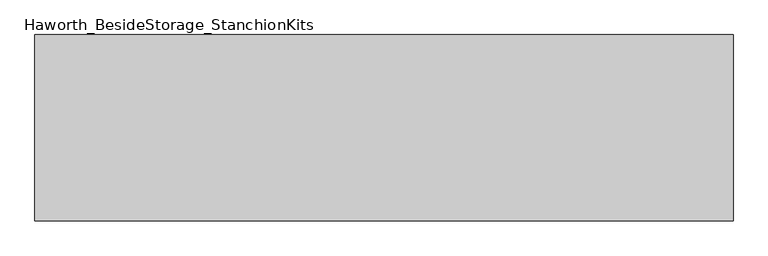
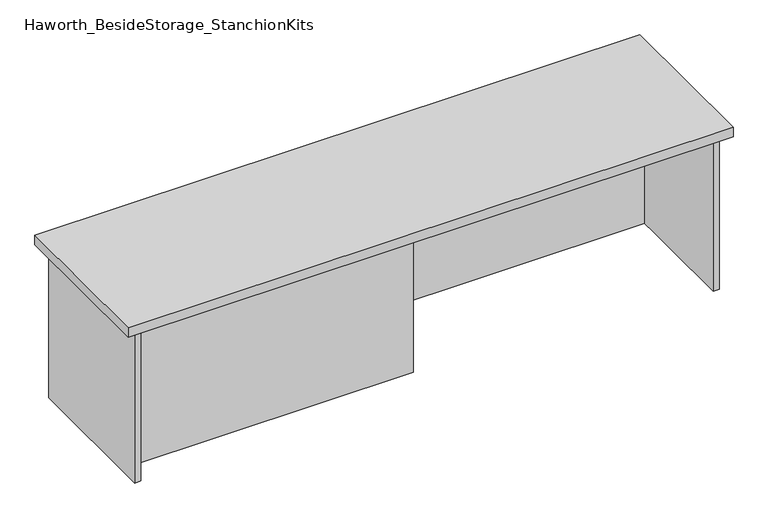
"""IFC4 building model written with IfcOpenShell, lengths in millimetres: furniture geometry, Haworth_BesideStorage_StanchionKits."""

from ifc_helpers import new_model, si_unit, frame, origin, place, context, project, spatial, polyline, outline, extrude, source, transform, mapped, element, save


def haworth_besidestorage_stanchionkits_4c50dd44(model_context):
    return source(origin(), model_context, "Body", "SweptSolid", [
        extrude(outline(polyline([(923.925, 0.0), (923.925, -406.4), (-600.075, -406.4), (-600.075, 0.0), (923.925, 0.0)])), frame((0.0, 0.0, 838.2), z_axis=(0.0, 0.0, 1.0), x_axis=(1.0, 0.0, 0.0)), (0.0, 0.0, 1.0), 25.4),
        extrude(outline(polyline([(161.925, -76.2), (882.65, -76.2), (882.65, -92.075), (161.925, -92.075), (161.925, -76.2)])), frame((0.0, 0.0, 431.8), z_axis=(0.0, 0.0, 1.0), x_axis=(1.0, 0.0, 0.0)), (0.0, 0.0, 1.0), 406.4),
        extrude(outline(polyline([(161.925, -314.325), (161.925, -330.2), (-558.8, -330.2), (-558.8, -314.325), (161.925, -314.325)])), frame((0.0, 0.0, 431.8), z_axis=(0.0, 0.0, 1.0), x_axis=(1.0, 0.0, 0.0)), (0.0, 0.0, 1.0), 406.4),
        extrude(outline(polyline([(898.525, -390.525), (882.65, -390.525), (882.65, -15.875), (898.525, -15.875), (898.525, -390.525)])), frame((0.0, 0.0, 431.8), z_axis=(0.0, 0.0, 1.0), x_axis=(1.0, 0.0, 0.0)), (0.0, 0.0, 1.0), 406.4),
        extrude(outline(polyline([(-558.8, -390.525), (-574.675, -390.525), (-574.675, -15.875), (-558.8, -15.875), (-558.8, -390.525)])), frame((0.0, 0.0, 431.8), z_axis=(0.0, 0.0, 1.0), x_axis=(1.0, 0.0, 0.0)), (0.0, 0.0, 1.0), 406.4),
    ])


if __name__ == "__main__":
    model = new_model("IFC4")
    model_context = context("Model", 3, world=origin())
    ifc_project = project(units=[si_unit("LENGTHUNIT", "METRE", prefix="MILLI")], contexts=[model_context])
    site = spatial("IfcSite", under=ifc_project)
    building = spatial("IfcBuilding", under=site)
    placement = place(None, origin())
    haworth_besidestorage_stanchionkits_shape = haworth_besidestorage_stanchionkits_4c50dd44(model_context)
    element("IfcFurniture", 1, ObjectType="Haworth_BesideStorage_StanchionKits", at=placement, inside=building, context=model_context, shape_type="MappedRepresentation", body=[
        mapped(haworth_besidestorage_stanchionkits_shape, transform((0.0, 0.0, 0.0), x_axis=(1.0, 0.0, 0.0), y_axis=(0.0, 1.0, 0.0), z_axis=(0.0, 0.0, 1.0))),
    ])
    save(model, "model.ifc")
